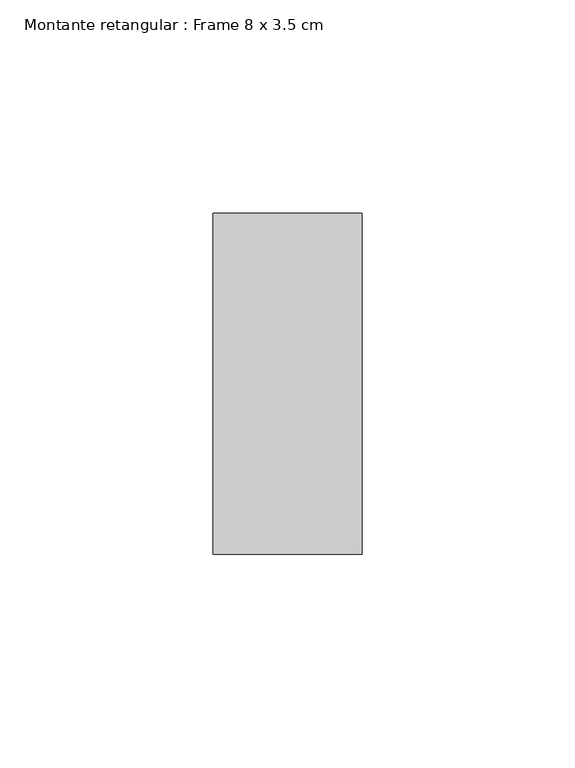
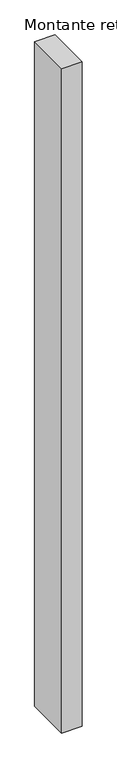
"""IFC4 building model written with IfcOpenShell, lengths in millimetres: member geometry, Montante retangular : Frame 8 x 3.5 cm."""

from ifc_helpers import new_model, si_unit, frame, origin, place, context, project, spatial, polyline, outline, extrude, source, transform, mapped, element, save


def montante_retangular_frame_8_x_3_5_cm_66b3e31c(model_context):
    return source(origin(), model_context, "Body", "SweptSolid", [
        extrude(outline(polyline([(0.0, 40.0), (0.0, -40.0), (-35.0, -40.0), (-35.0, 40.0), (0.0, 40.0)])), frame((0.0, 0.0, -1200.0), z_axis=(0.0, 0.0, 1.0), x_axis=(1.0, 0.0, 0.0)), (0.0, 0.0, 1.0), 1200.0),
    ])


if __name__ == "__main__":
    model = new_model("IFC4")
    model_context = context("Model", 3, world=origin())
    ifc_project = project(units=[si_unit("LENGTHUNIT", "METRE", prefix="MILLI")], contexts=[model_context])
    site = spatial("IfcSite", under=ifc_project)
    building = spatial("IfcBuilding", under=site)
    placement = place(None, origin())
    montante_retangular_frame_8_x_3_5_cm_shape = montante_retangular_frame_8_x_3_5_cm_66b3e31c(model_context)
    element("IfcMember", 1, ObjectType="Montante retangular : Frame 8 x 3.5 cm", at=placement, inside=building, context=model_context, shape_type="MappedRepresentation", body=[
        mapped(montante_retangular_frame_8_x_3_5_cm_shape, transform((0.0, 0.0, 0.0), x_axis=(1.0, 0.0, 0.0), y_axis=(0.0, 1.0, 0.0), z_axis=(0.0, 0.0, 1.0))),
    ])
    save(model, "model.ifc")
